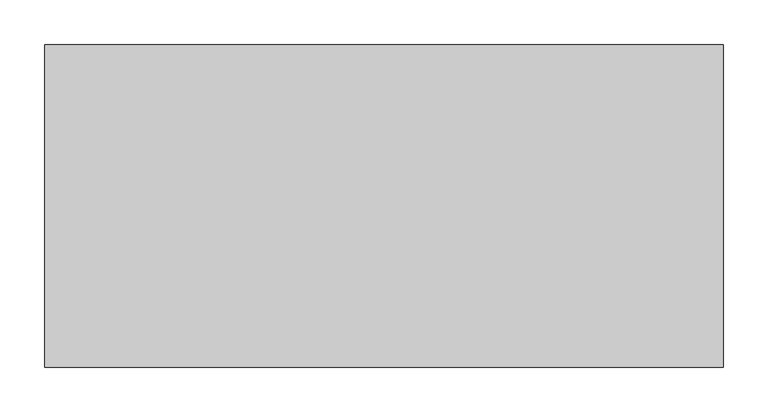
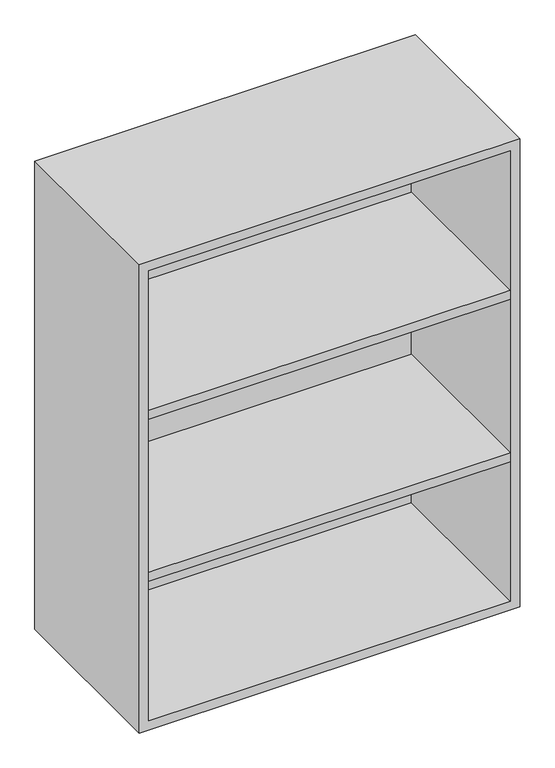
"""IFC4 building model written with IfcOpenShell, lengths in millimetres: furniture geometry."""

from ifc_helpers import new_model, si_unit, frame, origin, place, context, project, spatial, polyline, outline, extrude, source, transform, mapped, element, save


def furniture_c000e3fb(model_context):
    return source(origin(), model_context, "Body", "SweptSolid", [
        extrude(outline(polyline([(361.9569453, 161.925), (361.9569453, -180.975), (-361.9291641, -180.975), (-361.9291641, 161.925), (361.9569453, 161.925)])), frame((0.0, 0.0, 1393.825), z_axis=(0.0, 0.0, 1.0), x_axis=(1.0, 0.0, 0.0)), (0.0, 0.0, 1.0), 19.05),
        extrude(outline(polyline([(361.9569453, 161.925), (361.9569453, -180.975), (-361.9291641, -180.975), (-361.9291641, 161.925), (361.9569453, 161.925)])), frame((0.0, 0.0, 1050.925), z_axis=(0.0, 0.0, 1.0), x_axis=(1.0, 0.0, 0.0)), (0.0, 0.0, 1.0), 19.05),
        extrude(outline(polyline([(736.6, -380.9861094), (736.6, 381.0138906), (1727.2, 381.0138906), (1727.2, -380.9861094), (736.6, -380.9861094)]), holes=[polyline([(755.65, -361.9361094), (1708.15, -361.9361094), (1708.15, 361.9569453), (755.65, 361.9569453), (755.65, -361.9361094)])]), frame((0.0, -180.975, 0.0), z_axis=(0.0, 1.0, 0.0), x_axis=(0.0, 0.0, 1.0)), (0.0, 0.0, 1.0), 361.95),
        extrude(outline(polyline([(-361.9291641, 161.925), (-361.9291641, 180.975), (361.9569453, 180.975), (361.9569453, 161.925), (-361.9291641, 161.925)])), frame((0.0, 0.0, 755.65), z_axis=(0.0, 0.0, 1.0), x_axis=(1.0, 0.0, 0.0)), (0.0, 0.0, 1.0), 952.5),
    ])


if __name__ == "__main__":
    model = new_model("IFC4")
    model_context = context("Model", 3, world=origin())
    ifc_project = project(units=[si_unit("LENGTHUNIT", "METRE", prefix="MILLI")], contexts=[model_context])
    site = spatial("IfcSite", under=ifc_project)
    building = spatial("IfcBuilding", under=site)
    placement = place(None, origin())
    furniture_shape = furniture_c000e3fb(model_context)
    element("IfcFurniture", 1, at=placement, inside=building, context=model_context, shape_type="MappedRepresentation", body=[
        mapped(furniture_shape, transform((0.0, 0.0, 0.0), x_axis=(1.0, 0.0, 0.0), y_axis=(0.0, 1.0, 0.0), z_axis=(0.0, 0.0, 1.0))),
    ])
    save(model, "model.ifc")
